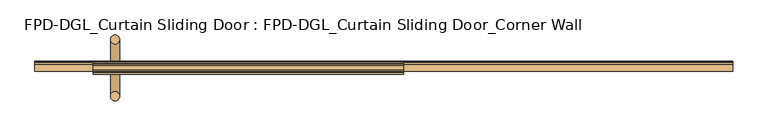
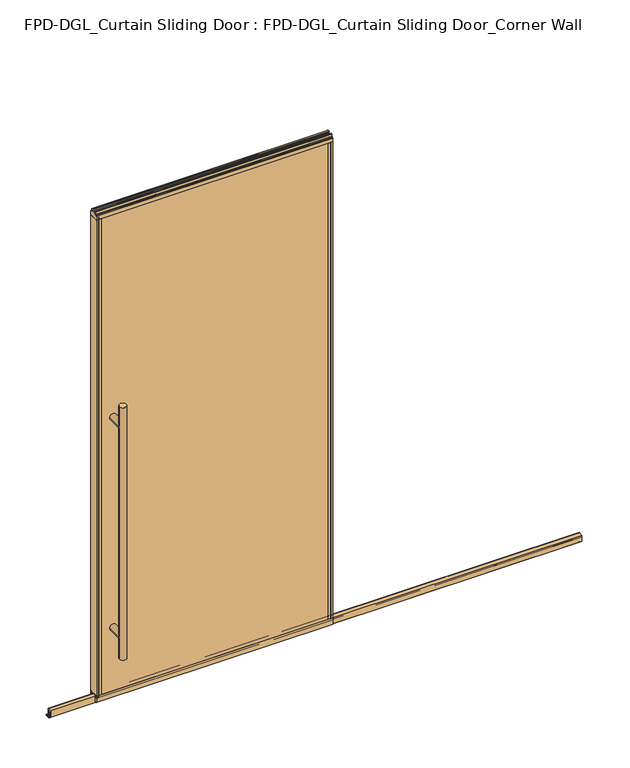
"""IFC4 building model written with IfcOpenShell, lengths in millimetres: door geometry, FPD-DGL_Curtain Sliding Door : FPD-DGL_Curtain Sliding Door_Corner Wall."""

from ifc_helpers import new_model, si_unit, point, frame, frame_2d, origin, place, context, project, spatial, polyline, circle_curve, ellipse_curve, trimmed, segment, composite_curve, outline, extrude, source, transform, mapped, element, save
from ifc_brep_helpers import plane_surface, cylinder_surface, advanced_brep


def fpd_dgl_curtain_sliding_door_fpd_dgl_curtain_sliding_door_23ddb7d9(model_context):
    return source(origin(), model_context, "Body", "SolidModel", [
        advanced_brep(
        [(-447.675, 3.378049, 1473.2), (-479.425, 3.378049, 1473.2), (-447.675, -193.8469566, 1473.2), (-479.425, -193.8469566, 1473.2), (-447.675, 3.378049, 254.0), (-479.425, 3.378049, 254.0), (-447.675, -193.8469566, 254.0), (-479.425, -193.8469566, 254.0), (-447.675, 3.378049, 355.6), (-479.425, 3.378049, 355.6), (-447.675, 3.378049, 1371.6), (-479.425, 3.378049, 1371.6), (-479.425, -193.8469566, 1371.6), (-479.425, -193.8469566, 355.6), (-447.675, -193.8469566, 355.6), (-447.675, -193.8469566, 1371.6)],
        [
            (0, 1, circle_curve(frame((-463.55, 3.378049, 1473.2), z_axis=(0.0, 0.0, 1.0), x_axis=(-1.0, 0.0, 0.0)), 15.875)),
            (1, 0, circle_curve(frame((-463.55, 3.378049, 1473.2), z_axis=(0.0, 0.0, 1.0), x_axis=(-1.0, 0.0, 0.0)), 15.875)),
            (2, 3, circle_curve(frame((-463.55, -193.8469566, 1473.2), z_axis=(0.0, 0.0, 1.0), x_axis=(-1.0, 0.0, 0.0)), 15.875)),
            (3, 2, circle_curve(frame((-463.55, -193.8469566, 1473.2), z_axis=(0.0, 0.0, 1.0), x_axis=(-1.0, 0.0, 0.0)), 15.875)),
            (4, 5, circle_curve(frame((-463.55, 3.378049, 254.0), z_axis=(0.0, 0.0, -1.0), x_axis=(-1.0, 0.0, 0.0)), 15.875)),
            (5, 4, circle_curve(frame((-463.55, 3.378049, 254.0), z_axis=(0.0, 0.0, -1.0), x_axis=(-1.0, 0.0, 0.0)), 15.875)),
            (6, 7, circle_curve(frame((-463.55, -193.8469566, 254.0), z_axis=(0.0, 0.0, -1.0), x_axis=(-1.0, 0.0, 0.0)), 15.875)),
            (7, 6, circle_curve(frame((-463.55, -193.8469566, 254.0), z_axis=(0.0, 0.0, -1.0), x_axis=(-1.0, 0.0, 0.0)), 15.875)),
            (4, 8),
            (8, 9, ellipse_curve(frame((-463.55, 3.378049, 355.6), z_axis=(0.0, 0.7071067811865525, -0.7071067811865427), x_axis=(0.0, 0.7071067811865427, 0.7071067811865523)), 22.4506403, 15.875)),
            (9, 5),
            (10, 11, ellipse_curve(frame((-463.55, 3.378049, 1371.6), z_axis=(0.0, 0.7071067811865427, -0.7071067811865525), x_axis=(0.0, 0.7071067811865525, 0.7071067811865425)), 22.4506403, 15.875)),
            (11, 9),
            (9, 8, ellipse_curve(frame((-463.55, 3.378049, 355.6), z_axis=(0.0, 0.7071067811865427, 0.7071067811865525), x_axis=(0.0, -0.7071067811865525, 0.7071067811865425)), 22.4506403, 15.875)),
            (8, 10),
            (1, 11),
            (11, 10, ellipse_curve(frame((-463.55, 3.378049, 1371.6), z_axis=(0.0, 0.7071067811865525, 0.7071067811865427), x_axis=(0.0, -0.7071067811865427, 0.7071067811865523)), 22.4506403, 15.875)),
            (10, 0),
            (3, 12),
            (12, 13),
            (13, 7),
            (6, 14),
            (14, 15),
            (15, 2),
            (15, 12, ellipse_curve(frame((-463.55, -193.8469566, 1371.6), z_axis=(0.0, -0.7071067811865427, 0.7071067811865525), x_axis=(0.0, 0.7071067811865525, 0.7071067811865425)), 22.4506403, 15.875)),
            (13, 14, ellipse_curve(frame((-463.55, -193.8469566, 355.6), z_axis=(0.0, -0.7071067811865427, -0.7071067811865525), x_axis=(0.0, -0.7071067811865525, 0.7071067811865425)), 22.4506403, 15.875)),
            (14, 13, ellipse_curve(frame((-463.55, -193.8469566, 355.6), z_axis=(0.0, -0.7071067811865525, 0.7071067811865427), x_axis=(0.0, 0.7071067811865427, 0.7071067811865523)), 22.4506403, 15.875)),
            (12, 15, ellipse_curve(frame((-463.55, -193.8469566, 1371.6), z_axis=(0.0, -0.7071067811865525, -0.7071067811865427), x_axis=(0.0, -0.7071067811865427, 0.7071067811865523)), 22.4506403, 15.875)),
            (10, 15),
            (12, 11),
            (8, 14),
            (13, 9),
        ],
        [
            plane_surface(frame((-364.4425993, -95.25, 1473.2), z_axis=(0.0, 0.0, 1.0), x_axis=(0.0, 1.0, 0.0))),
            plane_surface(frame((-364.4425993, -95.25, 254.0), z_axis=(0.0, 0.0, -1.0), x_axis=(0.0, 1.0, 0.0))),
            cylinder_surface(frame((-463.55, 3.378049, 1473.2), z_axis=(0.0, 0.0, 1.0), x_axis=(-1.0, 0.0, 0.0)), 15.875),
            cylinder_surface(frame((-463.55, -193.8469566, 1473.2), z_axis=(0.0, 0.0, 1.0), x_axis=(-1.0, 0.0, 0.0)), 15.875),
            cylinder_surface(frame((-463.55, -193.8469566, 1371.6), z_axis=(0.0, 1.0, 0.0), x_axis=(1.0, 0.0, 0.0)), 15.875),
            cylinder_surface(frame((-463.55, -95.25, 355.6), z_axis=(0.0, 1.0, 0.0), x_axis=(1.0, 0.0, 0.0)), 15.875),
        ],
        [
            (0, [[1, 2]]),
            (0, [[3, 4]]),
            (1, [[5, 6]]),
            (1, [[7, 8]]),
            (2, [[9, 10, 11, -5]]),
            (2, [[12, 13, 14, 15]]),
            (2, [[16, 17, 18, -2]]),
            (2, [[-18, -15, -9, -6, -11, -13, -16, -1]]),
            (3, [[19, 20, 21, -7, 22, 23, 24, -4]]),
            (3, [[-24, 25, -19, -3]]),
            (3, [[-21, 26, -22, -8]]),
            (3, [[27, -20, 28, -23]]),
            (4, [[-12, 29, -28, 30]]),
            (4, [[-25, -29, -17, -30]]),
            (5, [[-10, 31, -26, 32]]),
            (5, [[-27, -31, -14, -32]]),
        ],
    ),
        extrude(outline(composite_curve([segment(polyline([(-91.4369794, 1.1714386), (-91.4369794, 4.0416386)]), True, "CONTINUOUS"), segment(trimmed(circle_curve(frame_2d((-90.2685794, 4.0416386)), 1.1684), [point((-91.4369794, 4.0416386))], [point((-90.6836188, 5.1338386))], False, "CARTESIAN"), True, "CONTINUOUS"), segment(polyline([(-90.6836188, 5.1338386), (-87.9762294, 5.1338386), (-87.9762294, 4.3138948), (-90.6622794, 4.3138948), (-90.6622794, 0.7650387), (-72.1837797, 0.7650387), (-72.1837797, 4.4232339), (-75.1788569, 4.4232339), (-75.1788569, 5.2100386), (-72.5901797, 5.2100386)]), True, "CONTINUOUS"), segment(trimmed(circle_curve(frame_2d((-72.5901797, 4.0416386)), 1.1684), [point((-72.5901797, 5.2100386))], [point((-71.4217797, 4.0416386))], False, "CARTESIAN"), True, "CONTINUOUS"), segment(polyline([(-71.4217797, 4.0416386), (-71.4217797, 1.1714386)]), True, "CONTINUOUS"), segment(trimmed(circle_curve(frame_2d((-72.5901797, 1.1714386)), 1.1684), [point((-71.4217797, 1.1714386))], [point((-72.5901797, 0.0030387))], False, "CARTESIAN"), True, "CONTINUOUS"), segment(polyline([(-72.5901797, 0.0030387), (-90.2685794, 0.0030387)]), True, "CONTINUOUS"), segment(trimmed(circle_curve(frame_2d((-90.2685794, 1.1714386)), 1.1684), [point((-90.2685794, 0.0030387))], [point((-91.4369794, 1.1714386))], False, "CARTESIAN"), True, "CONTINUOUS")], self_intersect=False)), frame((-742.15625, 0.0, 0.0), z_axis=(1.0, 0.0, 0.0), x_axis=(0.0, 1.0, 0.0)), (0.0, 0.0, 1.0), 2424.90625),
        extrude(outline(composite_curve([segment(polyline([(-106.2146139, 41.6030387), (-84.3146141, 41.6030387), (-84.3146141, 11.6839647), (-85.814702, 11.6839647), (-85.814702, 39.1709995)]), True, "CONTINUOUS"), segment(trimmed(circle_curve(frame_2d((-86.7469627, 39.1709995)), 0.9322606), [point((-85.814702, 39.1709995))], [point((-86.7469627, 40.1032601))], True, "CARTESIAN"), True, "CONTINUOUS"), segment(polyline([(-86.7469627, 40.1032601), (-91.8357402, 40.1032601)]), True, "CONTINUOUS"), segment(trimmed(circle_curve(frame_2d((-91.8357402, 39.1243868)), 0.9788733), [point((-91.8357402, 40.1032601))], [point((-92.8146135, 39.1243868))], True, "CARTESIAN"), True, "CONTINUOUS"), segment(polyline([(-92.8146135, 39.1243868), (-92.8146135, 11.6839647), (-94.4146138, 11.6839647), (-94.4146138, 33.5017657), (-95.8044462, 33.5017657), (-95.8044462, 34.3040626), (-94.4146138, 34.3040626), (-94.4146138, 35.6040627), (-105.2146139, 35.6040627), (-105.2146139, 34.3040626), (-103.8247815, 34.3040626), (-103.8247815, 33.5017657), (-105.2146139, 33.5017657), (-105.2146139, 11.6839647), (-106.2146139, 11.6839647), (-106.2146139, 41.6030387)]), True, "CONTINUOUS")], self_intersect=False)), frame((-742.15625, 0.0, 0.0), z_axis=(1.0, 0.0, 0.0), x_axis=(0.0, 1.0, 0.0)), (0.0, 0.0, 1.0), 2424.90625),
        extrude(outline(composite_curve([segment(polyline([(-80.9258097, 48.6471016), (-80.9258097, 47.6299627), (-82.2928229, 47.6299627), (-82.2928229, 41.3613764)]), True, "CONTINUOUS"), segment(trimmed(circle_curve(frame_2d((-79.977348, 41.3613764)), 2.3154748), [point((-82.2928229, 41.3613764))], [point((-79.977348, 39.0459016))], True, "CARTESIAN"), True, "CONTINUOUS"), segment(polyline([(-79.977348, 39.0459016), (-74.9896246, 39.0522555)]), True, "CONTINUOUS"), segment(trimmed(circle_curve(frame_2d((-75.087823, 39.8079016)), 0.762), [point((-74.9896246, 39.0522555))], [point((-74.325823, 39.8079016))], True, "CARTESIAN"), True, "CONTINUOUS"), segment(polyline([(-74.325823, 39.8079016), (-74.325823, 48.6471016), (-73.0258255, 48.6471016), (-73.0258255, 19.0059017), (-82.1472378, 19.0059017), (-82.1472378, 15.875), (-84.0515279, 15.875), (-84.0515279, 47.0470737), (-106.4484721, 47.0470737), (-106.4484721, 15.875), (-108.3527622, 15.875), (-108.3527622, 19.0059017), (-117.4741745, 19.0059017), (-117.4741745, 48.6471016), (-116.174177, 48.6471016), (-116.174177, 39.8079016)]), True, "CONTINUOUS"), segment(trimmed(circle_curve(frame_2d((-115.412177, 39.8079016)), 0.762), [point((-116.174177, 39.8079016))], [point((-115.5103754, 39.0522555))], True, "CARTESIAN"), True, "CONTINUOUS"), segment(polyline([(-115.5103754, 39.0522555), (-110.522652, 39.0459016)]), True, "CONTINUOUS"), segment(trimmed(circle_curve(frame_2d((-110.522652, 41.3613764)), 2.3154748), [point((-110.522652, 39.0459016))], [point((-108.2071771, 41.3613764))], True, "CARTESIAN"), True, "CONTINUOUS"), segment(polyline([(-108.2071771, 41.3613764), (-108.2071771, 47.6299627), (-109.5741903, 47.6299627), (-109.5741903, 48.6471016), (-80.9258097, 48.6471016)]), True, "CONTINUOUS")], self_intersect=False)), frame((-539.75, 0.0, 0.0), z_axis=(1.0, 0.0, 0.0), x_axis=(0.0, 1.0, 0.0)), (0.0, 0.0, 1.0), 1079.5),
        extrude(outline(composite_curve([segment(polyline([(-86.8500175, 2383.0590768), (-81.8453412, 2383.0590768)]), True, "CONTINUOUS"), segment(trimmed(circle_curve(frame_2d((-81.8453412, 2382.4637643)), 0.5953125), [point((-81.8453412, 2383.0590768))], [point((-81.2500287, 2382.4637643))], False, "CARTESIAN"), True, "CONTINUOUS"), segment(polyline([(-81.2500287, 2382.4637643), (-81.2500287, 2371.0957628)]), True, "CONTINUOUS"), segment(trimmed(circle_curve(frame_2d((-79.3309248, 2371.0957628)), 1.919104), [point((-81.2500287, 2371.0957628))], [point((-79.3309248, 2369.1766588))], True, "CARTESIAN"), True, "CONTINUOUS"), segment(polyline([(-79.3309248, 2369.1766588), (-73.8250432, 2369.1766588)]), True, "CONTINUOUS"), segment(trimmed(circle_curve(frame_2d((-73.8250432, 2368.3766603)), 0.7999985), [point((-73.8250432, 2369.1766588))], [point((-73.0250446, 2368.3766603))], False, "CARTESIAN"), True, "CONTINUOUS"), segment(polyline([(-73.0250446, 2368.3766603), (-73.0250446, 2349.4916588), (-74.3250423, 2349.4916588), (-74.3250423, 2359.5916388)]), True, "CONTINUOUS"), segment(trimmed(circle_curve(frame_2d((-74.8250413, 2359.5916388)), 0.499999), [point((-74.3250423, 2359.5916388))], [point((-74.8250413, 2360.0916377))], True, "CARTESIAN"), True, "CONTINUOUS"), segment(polyline([(-74.8250413, 2360.0916377), (-80.9250289, 2360.0916377), (-80.9250289, 2349.4916588), (-109.5749714, 2349.4916588), (-109.5749714, 2360.0916377), (-115.6749587, 2360.0916377)]), True, "CONTINUOUS"), segment(trimmed(circle_curve(frame_2d((-115.6749587, 2359.5916388)), 0.499999), [point((-115.6749587, 2360.0916377))], [point((-116.1749577, 2359.5916388))], True, "CARTESIAN"), True, "CONTINUOUS"), segment(polyline([(-116.1749577, 2359.5916388), (-116.1749577, 2349.4916588), (-117.4749551, 2349.4916588), (-117.4749551, 2368.3766603)]), True, "CONTINUOUS"), segment(trimmed(circle_curve(frame_2d((-116.6749567, 2368.3766603)), 0.7999984), [point((-117.4749551, 2368.3766603))], [point((-116.6749567, 2369.1766587))], False, "CARTESIAN"), True, "CONTINUOUS"), segment(polyline([(-116.6749567, 2369.1766587), (-111.1690752, 2369.1766587)]), True, "CONTINUOUS"), segment(trimmed(circle_curve(frame_2d((-111.1690752, 2371.0957626)), 1.919104), [point((-111.1690752, 2369.1766587))], [point((-109.2499713, 2371.0957626))], True, "CARTESIAN"), True, "CONTINUOUS"), segment(polyline([(-109.2499713, 2371.0957626), (-109.2499713, 2382.4637643)]), True, "CONTINUOUS"), segment(trimmed(circle_curve(frame_2d((-108.6546588, 2382.4637643)), 0.5953125), [point((-109.2499713, 2382.4637643))], [point((-108.6546588, 2383.0590768))], False, "CARTESIAN"), True, "CONTINUOUS"), segment(polyline([(-108.6546588, 2383.0590768), (-103.6499825, 2383.0590768), (-103.6499825, 2381.0590808), (-107.2499752, 2381.0590808), (-107.2499752, 2372.5590978)]), True, "CONTINUOUS"), segment(trimmed(circle_curve(frame_2d((-106.7499762, 2372.5590978)), 0.499999), [point((-107.2499752, 2372.5590978))], [point((-106.7499762, 2372.0590988))], True, "CARTESIAN"), True, "CONTINUOUS"), segment(polyline([(-106.7499762, 2372.0590988), (-83.7500238, 2372.0590988)]), True, "CONTINUOUS"), segment(trimmed(circle_curve(frame_2d((-83.7500238, 2372.5590978)), 0.499999), [point((-83.7500238, 2372.0590988))], [point((-83.2500248, 2372.5590978))], True, "CARTESIAN"), True, "CONTINUOUS"), segment(polyline([(-83.2500248, 2372.5590978), (-83.2500248, 2381.0590808), (-86.8500175, 2381.0590808), (-86.8500175, 2383.0590768)]), True, "CONTINUOUS")], self_intersect=False)), frame((-539.75, 0.0, 0.0), z_axis=(1.0, 0.0, 0.0), x_axis=(0.0, 1.0, 0.0)), (0.0, 0.0, 1.0), 1079.5),
        extrude(outline(polyline([(529.8131511, -116.1765993), (-529.8131511, -116.1765993), (-529.8131511, -109.575), (529.8131511, -109.575), (529.8131511, -116.1765993)])), frame((0.0, 0.0, 39.1580021), z_axis=(0.0, 0.0, 1.0), x_axis=(1.0, 0.0, 0.0)), (0.0, 0.0, 1.0), 2320.6670934),
        extrude(outline(polyline([(-529.8131511, -80.925), (-529.8131511, -74.3234007), (529.8131511, -74.3234007), (529.8131511, -80.925), (-529.8131511, -80.925)])), frame((0.0, 0.0, 39.1580021), z_axis=(0.0, 0.0, 1.0), x_axis=(1.0, 0.0, 0.0)), (0.0, 0.0, 1.0), 2320.6670934),
        extrude(outline(composite_curve([segment(polyline([(-539.75, -117.475), (-539.75, -73.025), (-519.2131511, -73.025), (-519.2131511, -74.3234), (-529.2839574, -74.3234)]), True, "CONTINUOUS"), segment(trimmed(circle_curve(frame_2d((-529.2839574, -74.8525937)), 0.5291937), [point((-529.2839574, -74.3234))], [point((-529.8131511, -74.8525937))], True, "CARTESIAN"), True, "CONTINUOUS"), segment(polyline([(-529.8131511, -74.8525937), (-529.8131511, -76.8096), (-531.0131509, -76.8096), (-531.0131509, -74.3298), (-537.9465999, -74.3298), (-537.9465999, -86.004802), (-531.0131509, -86.004802), (-531.0131509, -80.925), (-519.2131511, -80.925), (-519.2131511, -109.575), (-531.0131509, -109.575), (-531.0131509, -104.495198), (-537.9465999, -104.495198), (-537.9465999, -116.1702), (-531.0131509, -116.1702), (-531.0131509, -113.6904), (-529.8131511, -113.6904), (-529.8131511, -115.6685993)]), True, "CONTINUOUS"), segment(trimmed(circle_curve(frame_2d((-529.3051511, -115.6685993)), 0.508), [point((-529.8131511, -115.6685993))], [point((-529.3051511, -116.1765993))], True, "CARTESIAN"), True, "CONTINUOUS"), segment(polyline([(-529.3051511, -116.1765993), (-519.2131511, -116.1765993), (-519.2131511, -117.475), (-539.75, -117.475)]), True, "CONTINUOUS")], self_intersect=False)), frame((0.0, 0.0, 48.6471016), z_axis=(0.0, 0.0, 1.0), x_axis=(1.0, 0.0, 0.0)), (0.0, 0.0, 1.0), 2300.8445572),
        extrude(outline(composite_curve([segment(polyline([(539.75, -117.475), (519.2131511, -117.475), (519.2131511, -116.1765993), (529.3051511, -116.1765993)]), True, "CONTINUOUS"), segment(trimmed(circle_curve(frame_2d((529.3051511, -115.6685993)), 0.508), [point((529.3051511, -116.1765993))], [point((529.8131511, -115.6685993))], True, "CARTESIAN"), True, "CONTINUOUS"), segment(polyline([(529.8131511, -115.6685993), (529.8131511, -113.6904), (531.0131509, -113.6904), (531.0131509, -116.1702), (537.9465999, -116.1702), (537.9465999, -104.495198), (531.0131509, -104.495198), (531.0131509, -109.575), (519.2131511, -109.575), (519.2131511, -80.925), (531.0131509, -80.925), (531.0131509, -86.004802), (537.9465999, -86.004802), (537.9465999, -74.3298), (531.0131509, -74.3298), (531.0131509, -76.8096), (529.8131511, -76.8096), (529.8131511, -74.8525937)]), True, "CONTINUOUS"), segment(trimmed(circle_curve(frame_2d((529.2839574, -74.8525937)), 0.5291937), [point((529.8131511, -74.8525937))], [point((529.2839574, -74.3234))], True, "CARTESIAN"), True, "CONTINUOUS"), segment(polyline([(529.2839574, -74.3234), (519.213151, -74.3234), (519.213151, -73.025), (539.75, -73.025), (539.75, -117.475)]), True, "CONTINUOUS")], self_intersect=False)), frame((0.0, 0.0, 48.6471016), z_axis=(0.0, 0.0, 1.0), x_axis=(1.0, 0.0, 0.0)), (0.0, 0.0, 1.0), 2300.8445572),
    ])


if __name__ == "__main__":
    model = new_model("IFC4")
    model_context = context("Model", 3, world=origin())
    ifc_project = project(units=[si_unit("LENGTHUNIT", "METRE", prefix="MILLI")], contexts=[model_context])
    site = spatial("IfcSite", under=ifc_project)
    building = spatial("IfcBuilding", under=site)
    placement = place(None, origin())
    fpd_dgl_curtain_sliding_door_fpd_dgl_curtain_sliding_door_shape = fpd_dgl_curtain_sliding_door_fpd_dgl_curtain_sliding_door_23ddb7d9(model_context)
    element("IfcDoor", 1, ObjectType="FPD-DGL_Curtain Sliding Door : FPD-DGL_Curtain Sliding Door_Corner Wall", at=placement, inside=building, context=model_context, shape_type="MappedRepresentation", body=[
        mapped(fpd_dgl_curtain_sliding_door_fpd_dgl_curtain_sliding_door_shape, transform((0.0, 0.0, 0.0), x_axis=(1.0, 0.0, 0.0), y_axis=(0.0, 1.0, 0.0), z_axis=(0.0, 0.0, 1.0))),
    ])
    save(model, "model.ifc")
